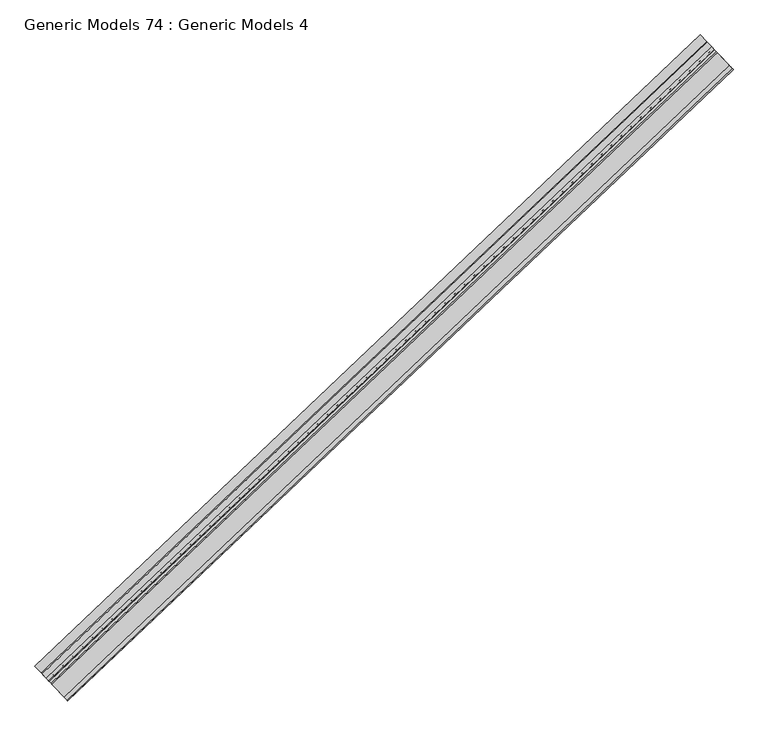
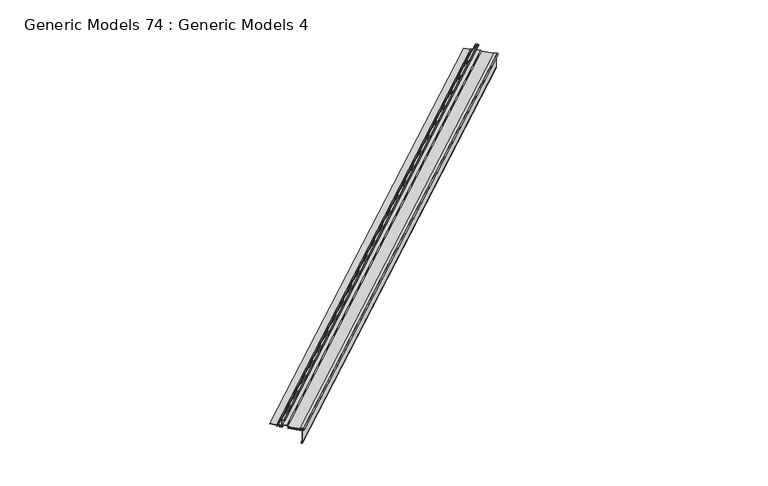
"""IFC4 building model written with IfcOpenShell, lengths in millimetres: proxy geometry, Generic Models 74 : Generic Models 4."""

from ifc_helpers import new_model, si_unit, point, frame, frame_2d, origin, place, context, project, spatial, polyline, circle_curve, trimmed, segment, composite_curve, outline, extrude, source, transform, mapped, element, save


def generic_models_74_generic_models_4_3a74e0d5(model_context):
    return source(origin(), model_context, "Body", "SweptSolid", [
        extrude(outline(polyline([(-170.2994353, -9.4655075), (-163.2056822, -9.4655075), (-159.2576674, 0.0), (-139.2070502, 0.0), (-139.2070502, -59.7575443), (-126.3269256, -59.7575443), (-126.3269256, -60.5512943), (-140.0008002, -60.5512943), (-140.0008002, -0.79375), (-158.7287099, -0.79375), (-162.6767247, -10.2592575), (-170.7908697, -10.2592575), (-174.9577698, -1.8923218), (-174.2472564, -1.538472), (-170.2994353, -9.4655075)])), frame((108281.7112267, 48322.4015907, 18705.0067283), z_axis=(0.7253743710123146, 0.6883545756937256, 0.0), x_axis=(0.6883545756937256, -0.7253743710123146, 0.0)), (0.0, 0.0, 1.0), 4530.725),
        extrude(outline(polyline([(-122.5337462, -60.2442394), (-123.0067793, -57.5674164), (-125.8443968, -56.5940262), (-130.9425353, -57.1187035), (-131.0237952, -56.3291239), (-125.751988, -55.7865734), (-122.306576, -56.9684559), (-121.6709149, -60.5655657), (-123.3899776, -61.9639504), (-141.9282988, -61.9639504), (-141.9282988, -17.5139504), (-171.6258308, -17.5139504), (-177.9758309, -11.1639504), (-223.1898848, -11.1639504), (-223.1898848, -10.3702004), (-177.6470488, -10.3702004), (-171.2970488, -16.7202004), (-141.1345489, -16.7202004), (-141.1345489, -61.1702004), (-123.6720488, -61.1702004), (-122.5337462, -60.2442394)])), frame((108281.7112267, 48322.4015907, 18705.0067283), z_axis=(0.7253743710123146, 0.6883545756937256, 0.0), x_axis=(0.6883545756937256, -0.7253743710123146, 0.0)), (0.0, 0.0, 1.0), 4530.725),
        extrude(outline(polyline([(-100.9271193, -10.3702004), (7.5735688, -10.3702004), (7.5735688, -11.1639504), (-100.5983302, -11.1639504), (-106.9481364, -17.5139504), (-136.6456756, -17.5139504), (-136.6456756, -58.0825981), (-126.3269256, -58.0825981), (-126.3269256, -58.8763481), (-137.4394255, -58.8763481), (-137.4394255, -16.7202004), (-107.2769255, -16.7202004), (-100.9271193, -10.3702004)])), frame((108281.7112267, 48322.4015907, 18705.0067283), z_axis=(0.7253743710123146, 0.6883545756937256, 0.0), x_axis=(0.6883545756937256, -0.7253743710123146, 0.0)), (0.0, 0.0, 1.0), 4530.725),
        extrude(outline(composite_curve([segment(trimmed(circle_curve(frame_2d((7.5735688, -10.7293354)), 5.1264313), [point((7.5735688, -5.6029041))], [point((7.5735688, -15.8557667))], False, "CARTESIAN"), True, "CONTINUOUS"), segment(polyline([(7.5735688, -15.8557667), (-13.5202105, -15.8557667), (-13.5202105, -15.0620167), (7.5735688, -15.0620167)]), True, "CONTINUOUS"), segment(trimmed(circle_curve(frame_2d((7.5735688, -10.7293354)), 4.3326813), [point((7.5735688, -15.0620167))], [point((7.5735688, -6.3966541))], True, "CARTESIAN"), True, "CONTINUOUS"), segment(polyline([(7.5735688, -6.3966541), (-73.8548427, -6.3966541), (-73.8548427, -5.6029041), (7.5735688, -5.6029041)]), True, "CONTINUOUS")], self_intersect=False)), frame((108281.7112267, 48322.4015907, 18705.0067283), z_axis=(0.7253743710123146, 0.6883545756937256, 0.0), x_axis=(0.6883545756937256, -0.7253743710123146, 0.0)), (0.0, 0.0, 1.0), 4530.725),
        extrude(outline(composite_curve([segment(polyline([(-4.5370777, 100.3308187), (-4.5370777, 91.9995928), (-5.3308277, 91.9995928), (-5.3308277, 100.3308187)]), True, "CONTINUOUS"), segment(trimmed(circle_curve(frame_2d((-2.6654138, 100.3308187)), 2.6654139), [point((-5.3308277, 100.3308187))], [point((0.0, 100.3308187))], False, "CARTESIAN"), True, "CONTINUOUS"), segment(polyline([(0.0, 100.3308187), (0.0, 1.3962326), (-100.7774242, 1.3962326), (-100.7774242, 2.1899826), (-0.79375, 2.1899826), (-0.79375, 100.3308187)]), True, "CONTINUOUS"), segment(trimmed(circle_curve(frame_2d((-2.6654138, 100.3308187)), 1.8716639), [point((-0.79375, 100.3308187))], [point((-4.5370777, 100.3308187))], True, "CARTESIAN"), True, "CONTINUOUS")], self_intersect=False)), frame((108281.7112267, 48322.4015907, 18705.0067283), z_axis=(0.7253743710123146, 0.6883545756937256, 0.0), x_axis=(0.6883545756937256, -0.7253743710123146, 0.0)), (0.0, 0.0, 1.0), 4530.725),
    ])


if __name__ == "__main__":
    model = new_model("IFC4")
    model_context = context("Model", 3, world=origin())
    ifc_project = project(units=[si_unit("LENGTHUNIT", "METRE", prefix="MILLI")], contexts=[model_context])
    site = spatial("IfcSite", under=ifc_project)
    building = spatial("IfcBuilding", under=site)
    placement = place(None, origin())
    generic_models_74_generic_models_4_shape = generic_models_74_generic_models_4_3a74e0d5(model_context)
    element("IfcBuildingElementProxy", 1, Name="Generic Models 74 : Generic Models 4", ObjectType="Generic Models 74 : Generic Models 4", at=placement, inside=building, context=model_context, shape_type="MappedRepresentation", body=[
        mapped(generic_models_74_generic_models_4_shape, transform((0.0, 0.0, 0.0), x_axis=(1.0, 0.0, 0.0), y_axis=(0.0, 1.0, 0.0), z_axis=(0.0, 0.0, 1.0))),
    ])
    save(model, "model.ifc")
